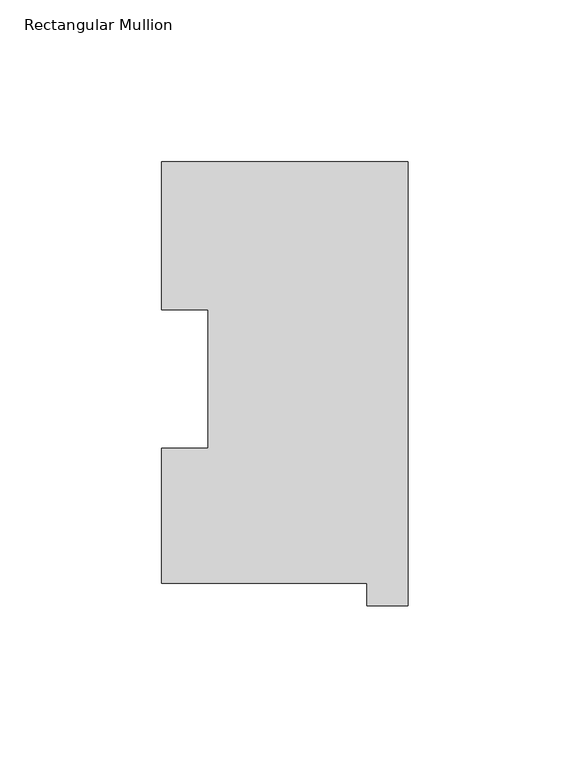
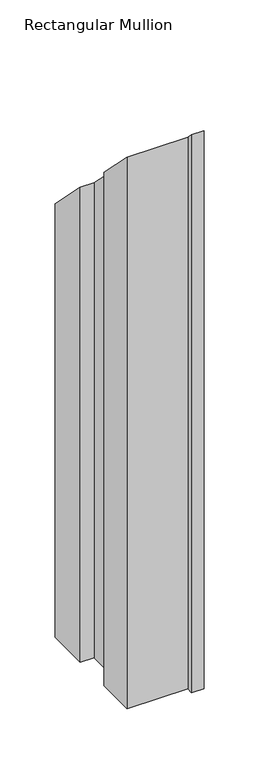
"""IFC4 building model written with IfcOpenShell, lengths in millimetres: member geometry, Rectangular Mullion."""

from ifc_helpers import new_model, si_unit, origin, place, context, project, spatial, faceted_brep, source, transform, mapped, element, save


def rectangular_mullion_8d5770b9(model_context):
    return source(origin(), model_context, "Body", "Brep", [
        faceted_brep([(-76.2, 130.56235, -609.6), (0.0, 130.56235, -609.6), (0.0, -6.64845, -609.6), (-12.7, -6.64845, -609.6), (-12.7, 0.26035, -609.6), (-76.2, 0.26035, -609.6), (-76.2, 42.0485036, -609.6), (-61.9101579, 42.0485036, -609.6), (-61.9101579, 84.93125, -609.6), (-76.2, 84.93125, -609.6), (-76.2, 84.93125, -84.93125), (-76.2, 130.56235, -130.56235), (-61.9101579, 84.93125, -84.93125), (-61.9101579, 42.0485036, -42.0485036), (-76.2, 42.0485036, -42.0485036), (-76.2, 0.26035, -0.26035), (-12.7, 0.26035, -0.26035), (-12.7, -6.64845, 6.64845), (0.0, -6.64845, 6.64845), (0.0, 130.56235, -130.56235)], [[[0, 1, 2, 3, 4, 5, 6, 7, 8, 9]], [[10, 11, 0, 9]], [[12, 10, 9, 8]], [[13, 12, 8, 7]], [[14, 13, 7, 6]], [[15, 14, 6, 5]], [[16, 15, 5, 4]], [[17, 16, 4, 3]], [[18, 17, 3, 2]], [[19, 18, 2, 1]], [[11, 19, 1, 0]], [[11, 10, 12, 13, 14, 15, 16, 17, 18, 19]]]),
    ])


if __name__ == "__main__":
    model = new_model("IFC4")
    model_context = context("Model", 3, world=origin())
    ifc_project = project(units=[si_unit("LENGTHUNIT", "METRE", prefix="MILLI")], contexts=[model_context])
    site = spatial("IfcSite", under=ifc_project)
    building = spatial("IfcBuilding", under=site)
    placement = place(None, origin())
    rectangular_mullion_shape = rectangular_mullion_8d5770b9(model_context)
    element("IfcMember", 1, ObjectType="Rectangular Mullion", at=placement, inside=building, context=model_context, shape_type="MappedRepresentation", body=[
        mapped(rectangular_mullion_shape, transform((0.0, 0.0, 0.0), x_axis=(1.0, 0.0, 0.0), y_axis=(0.0, 1.0, 0.0), z_axis=(0.0, 0.0, 1.0))),
    ])
    save(model, "model.ifc")
